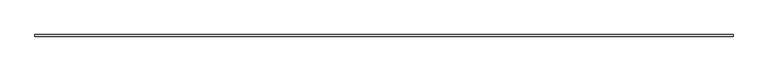
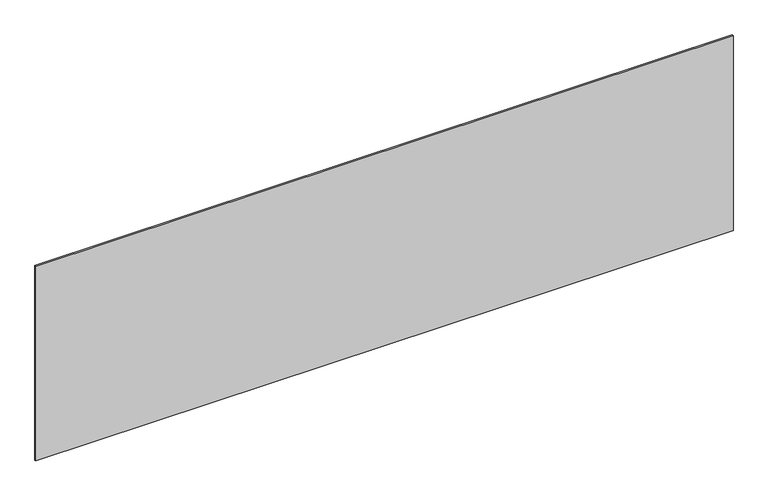
"""IFC4 building model written with IfcOpenShell, lengths in millimetres: plate geometry."""

from ifc_helpers import new_model, si_unit, origin, origin_with_axes, place, context, project, spatial, polyline, outline, extrude, source, transform, mapped, element, save


def plate_bd30a5e1(model_context):
    return source(origin(), model_context, "Body", "SweptSolid", [
        extrude(outline(polyline([(2189.1666667, -5.0), (-2189.1666667, -5.0), (-2189.1666667, 5.0), (2189.1666667, 5.0), (2189.1666667, -5.0)])), origin_with_axes(), (0.0, 0.0, 1.0), 1292.5856382),
    ])


if __name__ == "__main__":
    model = new_model("IFC4")
    model_context = context("Model", 3, world=origin())
    ifc_project = project(units=[si_unit("LENGTHUNIT", "METRE", prefix="MILLI")], contexts=[model_context])
    site = spatial("IfcSite", under=ifc_project)
    building = spatial("IfcBuilding", under=site)
    placement = place(None, origin())
    plate_shape = plate_bd30a5e1(model_context)
    element("IfcPlate", 1, at=placement, inside=building, context=model_context, shape_type="MappedRepresentation", body=[
        mapped(plate_shape, transform((0.0, 0.0, 0.0), x_axis=(1.0, 0.0, 0.0), y_axis=(0.0, 1.0, 0.0), z_axis=(0.0, 0.0, 1.0))),
    ])
    save(model, "model.ifc")
